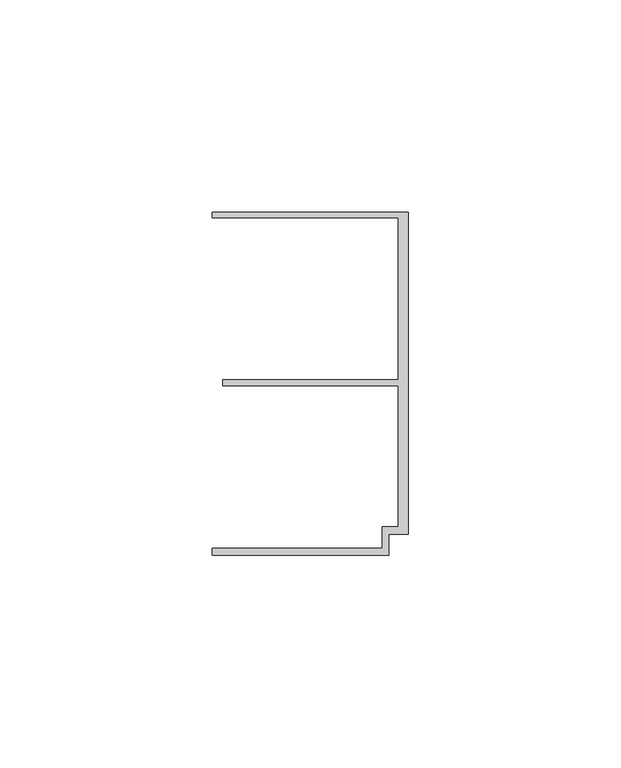
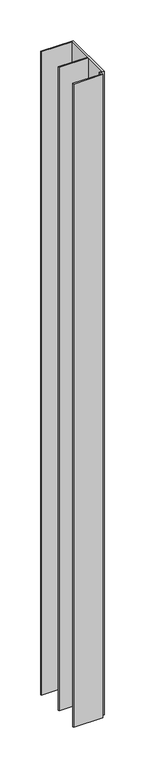
"""IFC4 building model written with IfcOpenShell, lengths in millimetres: member geometry."""

from ifc_helpers import new_model, si_unit, frame, origin, place, context, project, spatial, polyline, outline, extrude, source, transform, mapped, element, save


def member_0cf551d1(model_context):
    return source(origin(), model_context, "Body", "SweptSolid", [
        extrude(outline(polyline([(-6.2, -33.95), (-2.4, -33.95), (-2.4, -0.75), (-43.8, -0.75), (-43.8, 0.75), (-2.4, 0.75), (-2.4, 38.95), (-46.3, 38.95), (-46.3, 40.25), (0.0, 40.25), (0.0, -35.75), (-4.6999992, -35.75), (-4.6999992, -40.65), (-46.3, -40.65), (-46.3, -38.95), (-6.2, -38.95), (-6.2, -33.95)])), frame((0.0, 0.0, -965.9810055), z_axis=(0.0, 0.0, 1.0), x_axis=(1.0, 0.0, 0.0)), (0.0, 0.0, 1.0), 965.9810055),
    ])


if __name__ == "__main__":
    model = new_model("IFC4")
    model_context = context("Model", 3, world=origin())
    ifc_project = project(units=[si_unit("LENGTHUNIT", "METRE", prefix="MILLI")], contexts=[model_context])
    site = spatial("IfcSite", under=ifc_project)
    building = spatial("IfcBuilding", under=site)
    placement = place(None, origin())
    member_shape = member_0cf551d1(model_context)
    element("IfcMember", 1, at=placement, inside=building, context=model_context, shape_type="MappedRepresentation", body=[
        mapped(member_shape, transform((0.0, 0.0, 0.0), x_axis=(1.0, 0.0, 0.0), y_axis=(0.0, 1.0, 0.0), z_axis=(0.0, 0.0, 1.0))),
    ])
    save(model, "model.ifc")
